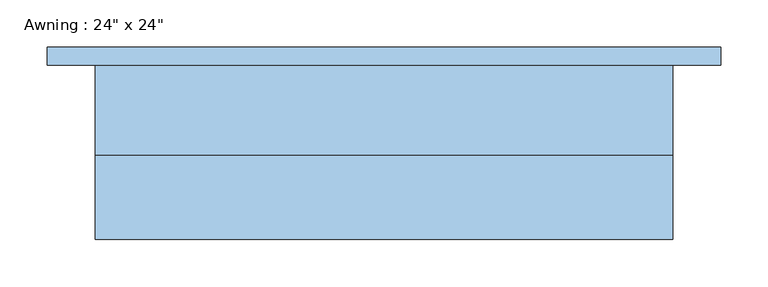
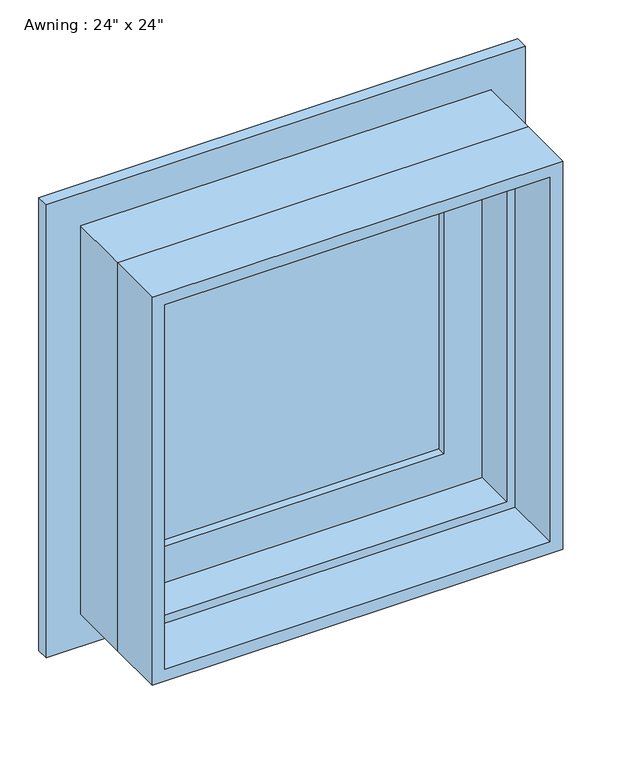
"""IFC4 building model written with IfcOpenShell, lengths in millimetres: window geometry."""

from ifc_helpers import new_model, si_unit, frame, origin, place, context, project, spatial, polyline, outline, extrude, faceted_brep, source, transform, mapped, element, save


def window_9b6a5a9b(model_context):
    return source(origin(), model_context, "Body", "SolidModel", [
        extrude(outline(polyline([(863.6, 355.6), (1574.8, 355.6), (1574.8, -355.6), (863.6, -355.6), (863.6, 355.6)]), holes=[polyline([(914.4, 304.8), (914.4, -304.8), (1524.0, -304.8), (1524.0, 304.8), (914.4, 304.8)])]), frame((0.0, 92.075, 0.0), z_axis=(0.0, 1.0, 0.0), x_axis=(0.0, 0.0, 1.0)), (0.0, 0.0, 1.0), 19.05),
        extrude(outline(polyline([(215.9, 92.075), (215.9, 85.725), (-215.9, 85.725), (-215.9, 92.075), (215.9, 92.075)])), frame((0.0, 0.0, 1003.3), z_axis=(0.0, 0.0, 1.0), x_axis=(1.0, 0.0, 0.0)), (0.0, 0.0, 1.0), 431.8),
        extrude(outline(polyline([(-215.9, 73.025), (-215.9, 79.375), (215.9, 79.375), (215.9, 73.025), (-215.9, 73.025)])), frame((0.0, 0.0, 1003.3), z_axis=(0.0, 0.0, 1.0), x_axis=(1.0, 0.0, 0.0)), (0.0, 0.0, 1.0), 431.8),
        extrude(outline(polyline([(1511.3, -292.1), (927.1, -292.1), (927.1, 292.1), (1511.3, 292.1), (1511.3, -292.1)]), holes=[polyline([(1435.1, 215.9), (1003.3, 215.9), (1003.3, -215.9), (1435.1, -215.9), (1435.1, 215.9)])]), frame((0.0, 60.325, 0.0), z_axis=(0.0, 1.0, 0.0), x_axis=(0.0, 0.0, 1.0)), (0.0, 0.0, 1.0), 44.45),
        extrude(outline(polyline([(1524.0, -304.8), (914.4, -304.8), (914.4, 304.8), (1524.0, 304.8), (1524.0, -304.8)]), holes=[polyline([(1504.95, 285.75), (933.45, 285.75), (933.45, -285.75), (1504.95, -285.75), (1504.95, 285.75)])]), frame((0.0, -92.075, 0.0), z_axis=(0.0, 1.0, 0.0), x_axis=(0.0, 0.0, 1.0)), (0.0, 0.0, 1.0), 88.9),
        faceted_brep([(273.05, 60.325, 1492.25), (273.05, -3.175, 1492.25), (-273.05, -3.175, 1492.25), (-273.05, 60.325, 1492.25), (292.1, 111.125, 1511.3), (292.1, 60.325, 1511.3), (-292.1, 60.325, 1511.3), (-292.1, 111.125, 1511.3), (304.8, -3.175, 1524.0), (304.8, 111.125, 1524.0), (-304.8, 111.125, 1524.0), (-304.8, -3.175, 1524.0), (-273.05, -3.175, 946.15), (-273.05, 60.325, 946.15), (-292.1, 60.325, 927.1), (-292.1, 111.125, 927.1), (-304.8, 111.125, 914.4), (-304.8, -3.175, 914.4), (273.05, -3.175, 946.15), (273.05, 60.325, 946.15), (292.1, 60.325, 927.1), (292.1, 111.125, 927.1), (304.8, 111.125, 914.4), (304.8, -3.175, 914.4)], [[[0, 1, 2, 3]], [[4, 5, 6, 7]], [[8, 9, 10, 11]], [[3, 2, 12, 13]], [[7, 6, 14, 15]], [[11, 10, 16, 17]], [[13, 12, 18, 19]], [[15, 14, 20, 21]], [[17, 16, 22, 23]], [[11, 17, 23, 8], [1, 18, 12, 2]], [[19, 18, 1, 0]], [[5, 20, 14, 6], [3, 13, 19, 0]], [[21, 20, 5, 4]], [[23, 22, 9, 8]], [[9, 22, 16, 10], [7, 15, 21, 4]]]),
    ])


if __name__ == "__main__":
    model = new_model("IFC4")
    model_context = context("Model", 3, world=origin())
    ifc_project = project(units=[si_unit("LENGTHUNIT", "METRE", prefix="MILLI")], contexts=[model_context])
    site = spatial("IfcSite", under=ifc_project)
    building = spatial("IfcBuilding", under=site)
    placement = place(None, origin())
    window_shape = window_9b6a5a9b(model_context)
    element("IfcWindow", 1, ObjectType="Awning : 24\" x 24\"", at=placement, inside=building, context=model_context, shape_type="MappedRepresentation", body=[
        mapped(window_shape, transform((0.0, 0.0, 0.0), x_axis=(1.0, 0.0, 0.0), y_axis=(0.0, 1.0, 0.0), z_axis=(0.0, 0.0, 1.0))),
    ])
    save(model, "model.ifc")
